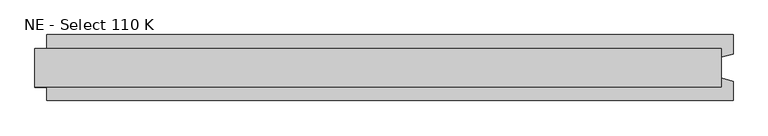
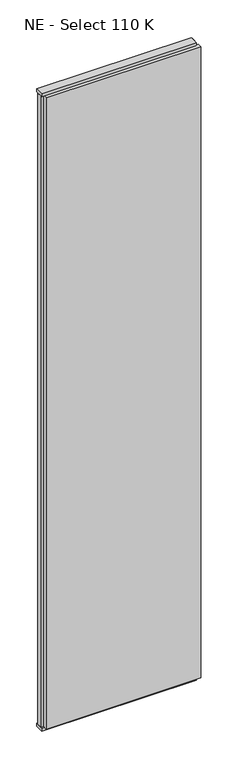
"""IFC4 building model written with IfcOpenShell, lengths in millimetres: plate geometry, NE - Select 110 K."""

from ifc_helpers import new_model, si_unit, frame, origin, origin_with_axes, place, context, project, spatial, polyline, outline, extrude, source, transform, mapped, element, save


def ne_select_110_k_b47726e2(model_context):
    return source(origin(), model_context, "Body", "SweptSolid", [
        extrude(outline(polyline([(592.9166667, 55.0), (592.9166667, 22.9993165), (572.9166667, 17.6401049), (572.9166667, -17.6401049), (592.9166667, -22.9993165), (592.9166667, -55.0), (-552.9166667, -55.0), (-552.9166667, -22.9993165), (-572.9166667, -17.6401049), (-572.9166667, 17.6401049), (-552.9166667, 22.9993165), (-552.9166667, 55.0), (592.9166667, 55.0)])), frame((0.0, 0.0, 25.0), z_axis=(0.0, 0.0, 1.0), x_axis=(1.0, 0.0, 0.0)), (0.0, 0.0, 1.0), 4950.0),
        extrude(outline(polyline([(572.9166667, 32.0), (572.9166667, -32.0), (-572.9166667, -32.0), (-572.9166667, 32.0), (572.9166667, 32.0)])), origin_with_axes(), (0.0, 0.0, 1.0), 25.0),
        extrude(outline(polyline([(572.9166667, 32.0), (572.9166667, -32.0), (-572.9166667, -32.0), (-572.9166667, 32.0), (572.9166667, 32.0)])), frame((0.0, 0.0, 4975.0), z_axis=(0.0, 0.0, 1.0), x_axis=(1.0, 0.0, 0.0)), (0.0, 0.0, 1.0), 25.0),
    ])


if __name__ == "__main__":
    model = new_model("IFC4")
    model_context = context("Model", 3, world=origin())
    ifc_project = project(units=[si_unit("LENGTHUNIT", "METRE", prefix="MILLI")], contexts=[model_context])
    site = spatial("IfcSite", under=ifc_project)
    building = spatial("IfcBuilding", under=site)
    placement = place(None, origin())
    ne_select_110_k_shape = ne_select_110_k_b47726e2(model_context)
    element("IfcPlate", 1, ObjectType="NE - Select 110 K", at=placement, inside=building, context=model_context, shape_type="MappedRepresentation", body=[
        mapped(ne_select_110_k_shape, transform((0.0, 0.0, 0.0), x_axis=(1.0, 0.0, 0.0), y_axis=(0.0, 1.0, 0.0), z_axis=(0.0, 0.0, 1.0))),
    ])
    save(model, "model.ifc")
